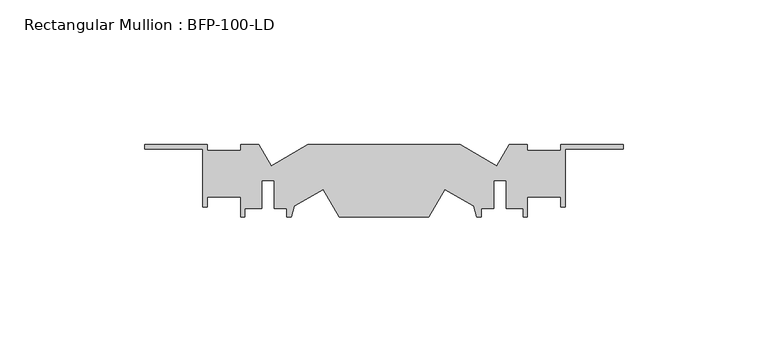
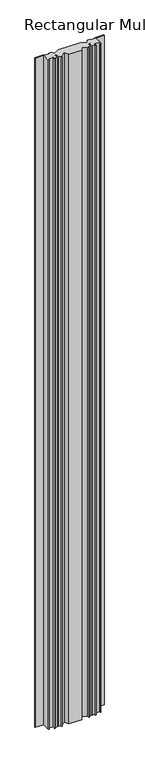
"""IFC4 building model written with IfcOpenShell, lengths in millimetres: member geometry, Rectangular Mullion : BFP-100-LD."""

from ifc_helpers import new_model, si_unit, frame, origin, place, context, project, spatial, polyline, outline, extrude, source, transform, mapped, element, save


def rectangular_mullion_bfp_100_ld_f4140edf(model_context):
    return source(origin(), model_context, "Body", "SweptSolid", [
        extrude(outline(polyline([(-43.5209983, -27.3331761), (-39.2871871, -20.0), (-33.0, -20.0), (-33.0, -22.0), (-21.5, -22.0), (-21.5, -20.0), (0.0, -20.0), (0.0, -21.5), (-20.0, -21.5), (-20.0, -41.5), (-21.5, -41.5), (-21.5, -38.0), (-33.0, -38.0), (-33.0, -45.0), (-34.5, -45.0), (-34.5, -42.0), (-40.4, -42.0), (-40.4, -32.4), (-44.6, -32.4), (-44.6, -42.0), (-49.0, -42.0), (-49.0, -45.0), (-50.5, -45.0), (-51.5209983, -41.1895826), (-61.4802904, -35.4395826), (-67.0, -45.0), (-98.0, -45.0), (-103.5197096, -35.4395826), (-113.4790017, -41.1895826), (-114.5, -45.0), (-116.0, -45.0), (-116.0, -42.0), (-120.4, -42.0), (-120.4, -32.4), (-124.6, -32.4), (-124.6, -42.0), (-130.5, -42.0), (-130.5, -45.0), (-132.0, -45.0), (-132.0, -38.0), (-143.5, -38.0), (-143.5, -41.5), (-145.0, -41.5), (-145.0, -21.5), (-165.0, -21.5), (-165.0, -20.0), (-143.5, -20.0), (-143.5, -22.0), (-132.0, -22.0), (-132.0, -20.0), (-125.7128129, -20.0), (-121.4790017, -27.3331761), (-108.7775681, -20.0), (-56.2224319, -20.0), (-43.5209983, -27.3331761)])), frame((0.0, 0.0, -1694.0), z_axis=(0.0, 0.0, 1.0), x_axis=(1.0, 0.0, 0.0)), (0.0, 0.0, 1.0), 1694.0),
    ])


if __name__ == "__main__":
    model = new_model("IFC4")
    model_context = context("Model", 3, world=origin())
    ifc_project = project(units=[si_unit("LENGTHUNIT", "METRE", prefix="MILLI")], contexts=[model_context])
    site = spatial("IfcSite", under=ifc_project)
    building = spatial("IfcBuilding", under=site)
    placement = place(None, origin())
    rectangular_mullion_bfp_100_ld_shape = rectangular_mullion_bfp_100_ld_f4140edf(model_context)
    element("IfcMember", 1, ObjectType="Rectangular Mullion : BFP-100-LD", at=placement, inside=building, context=model_context, shape_type="MappedRepresentation", body=[
        mapped(rectangular_mullion_bfp_100_ld_shape, transform((0.0, 0.0, 0.0), x_axis=(1.0, 0.0, 0.0), y_axis=(0.0, 1.0, 0.0), z_axis=(0.0, 0.0, 1.0))),
    ])
    save(model, "model.ifc")
